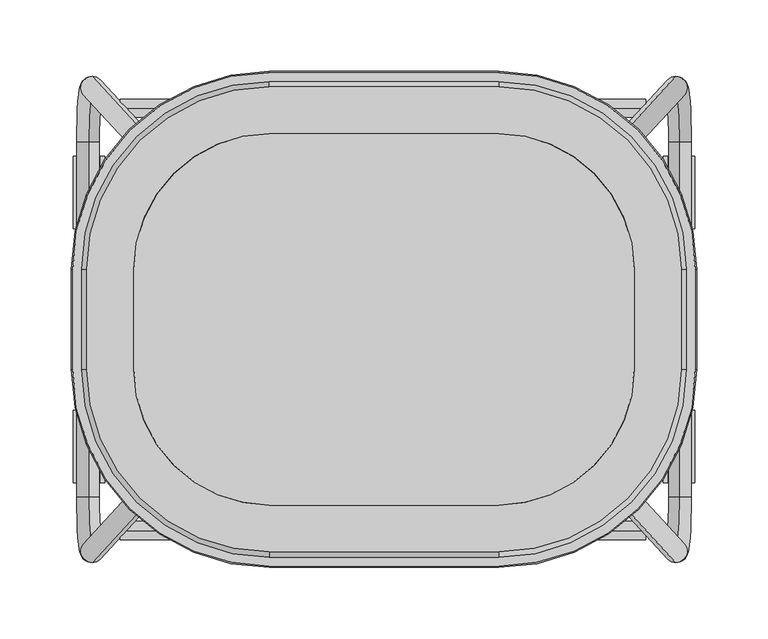
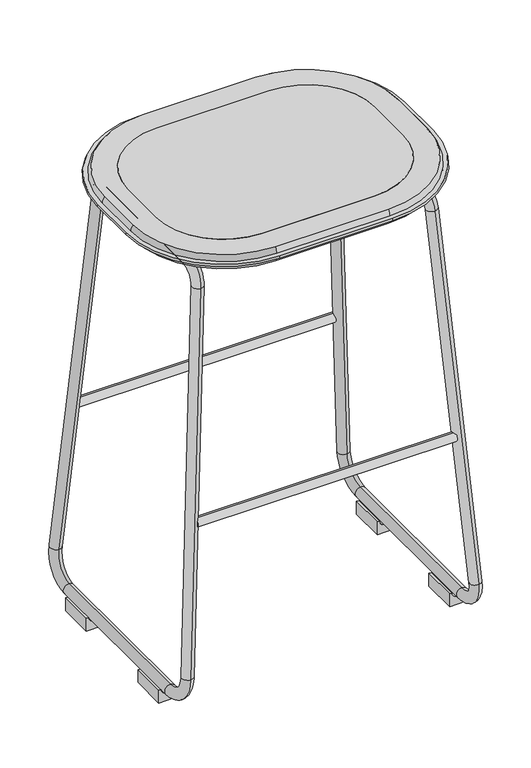
"""IFC4 building model written with IfcOpenShell, lengths in millimetres: furniture geometry."""

from ifc_helpers import new_model, si_unit, point, frame, frame_2d, origin, place, context, project, spatial, polyline, circle_curve, ellipse_curve, trimmed, segment, composite_curve, outline, extrude, source, transform, mapped, element, save
from ifc_brep_helpers import plane_surface, cylinder_surface, revolved_surface, advanced_brep


def furniture_1db9fe36(model_context):
    return source(origin(), model_context, "Body", "SolidModel", [
        extrude(outline(composite_curve([segment(polyline([(19.05, 195.2625), (0.0, 195.2625), (0.0, 217.4875), (19.05, 217.4875), (19.05, 214.3125)]), True, "CONTINUOUS"), segment(trimmed(circle_curve(frame_2d((19.05, 206.375)), 7.9375), [point((19.05, 214.3125))], [point((19.05, 198.4375))], True, "CARTESIAN"), True, "CONTINUOUS"), segment(polyline([(19.05, 198.4375), (19.05, 195.2625)]), True, "CONTINUOUS")], self_intersect=False)), frame((0.0, -114.3, 0.0), z_axis=(0.0, 1.0, 0.0), x_axis=(0.0, 0.0, 1.0)), (0.0, 0.0, 1.0), 50.8),
        extrude(outline(composite_curve([segment(polyline([(19.05, 195.2625), (0.0, 195.2625), (0.0, 217.4875), (19.05, 217.4875), (19.05, 214.3125)]), True, "CONTINUOUS"), segment(trimmed(circle_curve(frame_2d((19.05, 206.375)), 7.9375), [point((19.05, 214.3125))], [point((19.05, 198.4375))], True, "CARTESIAN"), True, "CONTINUOUS"), segment(polyline([(19.05, 198.4375), (19.05, 195.2625)]), True, "CONTINUOUS")], self_intersect=False)), frame((0.0, 63.5, 0.0), z_axis=(0.0, 1.0, 0.0), x_axis=(0.0, 0.0, 1.0)), (0.0, 0.0, 1.0), 50.8),
        advanced_brep(
        [(-175.021491, -34.925, 664.8993229), (-80.1154768, -129.8310142, 664.8993229), (80.1154768, -129.8310142, 664.8993229), (175.021491, -34.925, 664.8993229), (175.021491, 34.925, 664.8993229), (80.1154768, 129.8310142, 664.8993229), (-80.1154768, 129.8310142, 664.8993229), (-175.021491, 34.925, 664.8993229), (-178.5135382, -34.925, 641.3750418), (-178.5135382, 34.925, 641.3750418), (-80.1154768, 133.3230614, 641.3750418), (80.1154768, 133.3230614, 641.3750418), (178.5135382, 34.925, 641.3750418), (178.5135382, -34.925, 641.3750418), (80.1154768, -133.3230614, 641.3750418), (-80.1154768, -133.3230614, 641.3750418)],
        [
            (0, 1, circle_curve(frame((-80.1154768, -34.925, 664.8993229), z_axis=(0.0, 0.0, 1.0), x_axis=(-1.0000000000000002, 0.0, 0.0)), 94.9060142)),
            (1, 2),
            (2, 3, circle_curve(frame((80.1154768, -34.925, 664.8993229), z_axis=(0.0, 0.0, 1.0), x_axis=(0.0, -1.0000000000000002, 0.0)), 94.9060142)),
            (3, 4),
            (4, 5, circle_curve(frame((80.1154768, 34.925, 664.8993229), z_axis=(0.0, 0.0, 1.0), x_axis=(1.0000000000000002, 0.0, 0.0)), 94.9060142)),
            (5, 6),
            (6, 7, circle_curve(frame((-80.1154768, 34.925, 664.8993229), z_axis=(0.0, 0.0, 1.0), x_axis=(0.0, 1.0000000000000002, 0.0)), 94.9060142)),
            (7, 0),
            (8, 9),
            (9, 10, circle_curve(frame((-80.1154768, 34.925, 641.3750418), z_axis=(0.0, 0.0, -1.0), x_axis=(0.0, 1.0000000000000002, 0.0)), 98.3980614)),
            (10, 11),
            (11, 12, circle_curve(frame((80.1154768, 34.925, 641.3750418), z_axis=(0.0, 0.0, -1.0), x_axis=(1.0000000000000002, 0.0, 0.0)), 98.3980614)),
            (12, 13),
            (13, 14, circle_curve(frame((80.1154768, -34.925, 641.3750418), z_axis=(0.0, 0.0, -1.0), x_axis=(0.0, -1.0000000000000002, 0.0)), 98.3980614)),
            (14, 15),
            (15, 8, circle_curve(frame((-80.1154768, -34.925, 641.3750418), z_axis=(0.0, 0.0, -1.0), x_axis=(-1.0000000000000002, 0.0, 0.0)), 98.3980614)),
            (15, 1),
            (0, 8),
            (14, 2),
            (13, 3),
            (12, 4),
            (11, 5),
            (10, 6),
            (9, 7),
        ],
        [
            plane_surface(frame((0.0, 0.0, 664.8993229), z_axis=(0.0, 0.0, 1.0), x_axis=(0.0, 1.0, 0.0))),
            plane_surface(frame((0.0, 0.0, 641.3750418), z_axis=(0.0, 0.0, -1.0), x_axis=(0.0, 1.0, 0.0))),
            revolved_surface(polyline([(-175.0214909970936, -34.925, 664.8993229), (-178.5135382, -34.925, 641.3750418)]), (-80.1154768, -34.925, 1304.2365444), (0.0, 0.0, -1.0)),
            plane_surface(frame((0.0, -133.3230614, 641.3750418), z_axis=(0.0, -0.9891609433288521, 0.14683537786506212), x_axis=(1.0, 0.0, 0.0))),
            revolved_surface(polyline([(80.1154768, -129.8310141970936, 664.8993229), (80.1154768, -133.3230614, 641.3750418)]), (80.1154768, -34.925, 1304.2365444), (0.0, 0.0, -1.0)),
            plane_surface(frame((178.5135382, 0.0, 641.3750418), z_axis=(0.9891609433288486, 0.0, 0.14683537786508508), x_axis=(0.0, 1.0, 0.0))),
            revolved_surface(polyline([(175.0214909970936, 34.925, 664.8993229), (178.5135382, 34.925, 641.3750418)]), (80.1154768, 34.925, 1304.2365444), (0.0, 0.0, -1.0)),
            plane_surface(frame((0.0, 133.3230614, 641.3750418), z_axis=(0.0, 0.989160943328852, 0.1468353778650628), x_axis=(-1.0, 0.0, 0.0))),
            revolved_surface(polyline([(-80.1154768, 129.8310141970936, 664.8993229), (-80.1154768, 133.3230614, 641.3750418)]), (-80.1154768, 34.925, 1304.2365444), (0.0, 0.0, -1.0)),
            plane_surface(frame((-178.5135382, 0.0, 641.3750418), z_axis=(-0.9891609433288486, 0.0, 0.14683537786508508), x_axis=(0.0, -1.0, 0.0))),
        ],
        [
            (0, [[1, 2, 3, 4, 5, 6, 7, 8]]),
            (1, [[9, 10, 11, 12, 13, 14, 15, 16]]),
            (2, [[-16, 17, -1, 18]]),
            (3, [[-15, 19, -2, -17]]),
            (4, [[-14, 20, -3, -19]]),
            (5, [[-13, 21, -4, -20]]),
            (6, [[-12, 22, -5, -21]]),
            (7, [[-11, 23, -6, -22]]),
            (8, [[-10, 24, -7, -23]]),
            (9, [[-9, -18, -8, -24]]),
        ],
    ),
        advanced_brep(
        [(80.1154768, 129.8310142, 664.8993229), (-80.1154768, 129.8310142, 664.8993229), (-80.1154768, 133.3230614, 641.3750418), (80.1154768, 133.3230614, 641.3750418), (-80.1154768, -162.6409798, 664.8993229), (80.1154768, -162.6409798, 664.8993229), (207.8314566, -34.925, 664.8993229), (207.8314566, 34.925, 664.8993229), (80.1154768, 162.6409798, 664.8993229), (-80.1154768, 162.6409798, 664.8993229), (-207.8314566, 34.925, 664.8993229), (-207.8314566, -34.925, 664.8993229), (175.021491, 34.925, 664.8993229), (175.021491, -34.925, 664.8993229), (80.1154768, -129.8310142, 664.8993229), (-80.1154768, -129.8310142, 664.8993229), (-175.021491, -34.925, 664.8993229), (-175.021491, 34.925, 664.8993229), (80.1154768, 166.2791169, 657.0973126), (-80.1154768, 166.2791169, 657.0973126), (-80.1154768, -172.6291169, 657.0973126), (80.1154768, -172.6291169, 657.0973126), (217.8195937, -34.925, 657.0973126), (217.8195937, 34.925, 657.0973126), (80.1154768, 172.6291169, 657.0973126), (-80.1154768, 172.6291169, 657.0973126), (-217.8195937, 34.925, 657.0973126), (-217.8195937, -34.925, 657.0973126), (211.4695937, 34.925, 657.0973126), (211.4695937, -34.925, 657.0973126), (80.1154768, -166.2791169, 657.0973126), (-80.1154768, -166.2791169, 657.0973126), (-211.4695937, -34.925, 657.0973126), (-211.4695937, 34.925, 657.0973126), (80.1154768, 173.4175169, 654.1549637), (-80.1154768, 173.4175169, 654.1549637), (218.6079938, 34.925, 654.1549637), (218.6079938, -34.925, 654.1549637), (80.1154768, -173.4175169, 654.1549637), (-80.1154768, -173.4175169, 654.1549637), (-218.6079938, -34.925, 654.1549637), (-218.6079938, 34.925, 654.1549637), (-80.1154768, -167.0675169, 654.1549637), (80.1154768, -167.0675169, 654.1549637), (212.2579938, -34.925, 654.1549637), (212.2579938, 34.925, 654.1549637), (80.1154768, 167.0675169, 654.1549637), (-80.1154768, 167.0675169, 654.1549637), (-212.2579938, 34.925, 654.1549637), (-212.2579938, -34.925, 654.1549637), (80.1154768, 163.4840689, 644.3095211), (-80.1154768, 163.4840689, 644.3095211), (178.5135382, 34.925, 641.3750418), (208.6745457, 34.925, 644.3095211), (178.5135382, -34.925, 641.3750418), (208.6745457, -34.925, 644.3095211), (-178.5135382, 34.925, 641.3750418), (-208.6745457, 34.925, 644.3095211), (-178.5135382, -34.925, 641.3750418), (-208.6745457, -34.925, 644.3095211), (-80.1154768, -133.3230614, 641.3750418), (-80.1154768, -163.4840689, 644.3095211), (80.1154768, -133.3230614, 641.3750418), (80.1154768, -163.4840689, 644.3095211)],
        [
            (0, 1),
            (1, 2),
            (2, 3),
            (3, 0),
            (4, 5),
            (5, 6, circle_curve(frame((80.1154768, -34.925, 664.8993229), z_axis=(0.0, 0.0, 1.0), x_axis=(1.0000000000000002, 0.0, 0.0)), 127.7159798)),
            (6, 7),
            (7, 8, circle_curve(frame((80.1154768, 34.925, 664.8993229), z_axis=(0.0, 0.0, 1.0), x_axis=(1.0000000000000002, 0.0, 0.0)), 127.7159798)),
            (8, 9),
            (9, 10, circle_curve(frame((-80.1154768, 34.925, 664.8993229), z_axis=(0.0, 0.0, 1.0), x_axis=(-1.0000000000000002, 0.0, 0.0)), 127.7159798)),
            (10, 11),
            (11, 4, circle_curve(frame((-80.1154768, -34.925, 664.8993229), z_axis=(0.0, 0.0, 1.0), x_axis=(-1.0000000000000002, 0.0, 0.0)), 127.7159798)),
            (0, 12, circle_curve(frame((80.1154768, 34.925, 664.8993229), z_axis=(0.0, 0.0, -1.0), x_axis=(1.0000000000000002, 0.0, 0.0)), 94.9060142)),
            (12, 13),
            (13, 14, circle_curve(frame((80.1154768, -34.925, 664.8993229), z_axis=(0.0, 0.0, -1.0), x_axis=(1.0000000000000002, 0.0, 0.0)), 94.9060142)),
            (14, 15),
            (15, 16, circle_curve(frame((-80.1154768, -34.925, 664.8993229), z_axis=(0.0, 0.0, -1.0), x_axis=(-1.0000000000000002, 0.0, 0.0)), 94.9060142)),
            (16, 17),
            (17, 1, circle_curve(frame((-80.1154768, 34.925, 664.8993229), z_axis=(0.0, 0.0, -1.0), x_axis=(-1.0000000000000002, 0.0, 0.0)), 94.9060142)),
            (8, 18, circle_curve(frame((80.1154768, 153.8392427, 656.0457548), z_axis=(-1.0, 0.0, 0.0), x_axis=(0.0, 1.0000000000000002, 0.0)), 12.4842398)),
            (18, 19),
            (19, 9, circle_curve(frame((-80.1154768, 153.8392427, 656.0457548), z_axis=(1.0, 0.0, 0.0), x_axis=(0.0, 1.0000000000000002, 0.0)), 12.4842398)),
            (20, 21),
            (21, 22, circle_curve(frame((80.1154768, -34.925, 657.0973126), z_axis=(0.0, 0.0, 1.0), x_axis=(1.0000000000000002, 0.0, 0.0)), 137.7041169)),
            (22, 23),
            (23, 24, circle_curve(frame((80.1154768, 34.925, 657.0973126), z_axis=(0.0, 0.0, 1.0), x_axis=(1.0000000000000002, 0.0, 0.0)), 137.7041169)),
            (24, 25),
            (25, 26, circle_curve(frame((-80.1154768, 34.925, 657.0973126), z_axis=(0.0, 0.0, 1.0), x_axis=(-1.0000000000000002, 0.0, 0.0)), 137.7041169)),
            (26, 27),
            (27, 20, circle_curve(frame((-80.1154768, -34.925, 657.0973126), z_axis=(0.0, 0.0, 1.0), x_axis=(-1.0000000000000002, 0.0, 0.0)), 137.7041169)),
            (18, 28, circle_curve(frame((80.1154768, 34.925, 657.0973126), z_axis=(0.0, 0.0, -1.0), x_axis=(1.0000000000000002, 0.0, 0.0)), 131.3541169)),
            (28, 29),
            (29, 30, circle_curve(frame((80.1154768, -34.925, 657.0973126), z_axis=(0.0, 0.0, -1.0), x_axis=(1.0000000000000002, 0.0, 0.0)), 131.3541169)),
            (30, 31),
            (31, 32, circle_curve(frame((-80.1154768, -34.925, 657.0973126), z_axis=(0.0, 0.0, -1.0), x_axis=(-1.0000000000000002, 0.0, 0.0)), 131.3541169)),
            (32, 33),
            (33, 19, circle_curve(frame((-80.1154768, 34.925, 657.0973126), z_axis=(0.0, 0.0, -1.0), x_axis=(-1.0000000000000002, 0.0, 0.0)), 131.3541169)),
            (24, 34),
            (34, 35),
            (35, 25),
            (34, 36, circle_curve(frame((80.1154768, 34.925, 654.1549637), z_axis=(0.0, 0.0, -1.0), x_axis=(1.0000000000000002, 0.0, 0.0)), 138.4925169)),
            (36, 37),
            (37, 38, circle_curve(frame((80.1154768, -34.925, 654.1549637), z_axis=(0.0, 0.0, -1.0), x_axis=(1.0000000000000002, 0.0, 0.0)), 138.4925169)),
            (38, 39),
            (39, 40, circle_curve(frame((-80.1154768, -34.925, 654.1549637), z_axis=(0.0, 0.0, -1.0), x_axis=(-1.0000000000000002, 0.0, 0.0)), 138.4925169)),
            (40, 41),
            (41, 35, circle_curve(frame((-80.1154768, 34.925, 654.1549637), z_axis=(0.0, 0.0, -1.0), x_axis=(-1.0000000000000002, 0.0, 0.0)), 138.4925169)),
            (42, 43),
            (43, 44, circle_curve(frame((80.1154768, -34.925, 654.1549637), z_axis=(0.0, 0.0, 1.0), x_axis=(1.0000000000000002, 0.0, 0.0)), 132.1425169)),
            (44, 45),
            (45, 46, circle_curve(frame((80.1154768, 34.925, 654.1549637), z_axis=(0.0, 0.0, 1.0), x_axis=(1.0000000000000002, 0.0, 0.0)), 132.1425169)),
            (46, 47),
            (47, 48, circle_curve(frame((-80.1154768, 34.925, 654.1549637), z_axis=(0.0, 0.0, 1.0), x_axis=(-1.0000000000000002, 0.0, 0.0)), 132.1425169)),
            (48, 49),
            (49, 42, circle_curve(frame((-80.1154768, -34.925, 654.1549637), z_axis=(0.0, 0.0, 1.0), x_axis=(-1.0000000000000002, 0.0, 0.0)), 132.1425169)),
            (46, 50, circle_curve(frame((80.1154768, 148.476041, 655.346852), z_axis=(-1.0, 0.0, 0.0), x_axis=(0.0, 1.0000000000000002, 0.0)), 18.6296423)),
            (50, 51),
            (51, 47, circle_curve(frame((-80.1154768, 148.476041, 655.346852), z_axis=(1.0, 0.0, 0.0), x_axis=(0.0, 1.0000000000000002, 0.0)), 18.6296423)),
            (2, 51),
            (50, 3),
            (3, 52, circle_curve(frame((80.1154768, 34.925, 641.3750418), z_axis=(0.0, 0.0, -1.0), x_axis=(1.0000000000000002, 0.0, 0.0)), 98.3980614)),
            (52, 12),
            (50, 53, circle_curve(frame((80.1154768, 34.925, 644.3095211), z_axis=(0.0, 0.0, -1.0), x_axis=(1.0000000000000002, 0.0, 0.0)), 128.5590689)),
            (53, 52),
            (45, 53, circle_curve(frame((193.6665179, 34.925, 655.346852), z_axis=(0.0, 1.0000000000000002, 0.0), x_axis=(0.0, 0.0, 1.0)), 18.6296423)),
            (23, 36),
            (7, 28, circle_curve(frame((199.0297195, 34.925, 656.0457548), z_axis=(0.0, 1.0000000000000002, 0.0), x_axis=(0.0, 0.0, 1.0)), 12.4842398)),
            (52, 54),
            (54, 13),
            (53, 55),
            (55, 54),
            (44, 55, circle_curve(frame((193.6665179, -34.925, 655.346852), z_axis=(0.0, 1.0, 0.0), x_axis=(0.0, 0.0, 1.0)), 18.6296423)),
            (22, 37),
            (6, 29, circle_curve(frame((199.0297195, -34.925, 656.0457548), z_axis=(0.0, 1.0, 0.0), x_axis=(0.0, 0.0, 1.0)), 12.4842398)),
            (17, 56),
            (56, 2, circle_curve(frame((-80.1154768, 34.925, 641.3750418), z_axis=(0.0, 0.0, -1.0), x_axis=(-1.0000000000000002, 0.0, 0.0)), 98.3980614)),
            (56, 57),
            (57, 51, circle_curve(frame((-80.1154768, 34.925, 644.3095211), z_axis=(0.0, 0.0, -1.0), x_axis=(-1.0000000000000002, 0.0, 0.0)), 128.5590689)),
            (57, 48, circle_curve(frame((-193.6665179, 34.925, 655.346852), z_axis=(0.0, 1.0000000000000002, 0.0), x_axis=(0.0, 0.0, 1.0)), 18.6296423)),
            (41, 26),
            (33, 10, circle_curve(frame((-199.0297195, 34.925, 656.0457548), z_axis=(0.0, 1.0000000000000002, 0.0), x_axis=(0.0, 0.0, 1.0)), 12.4842398)),
            (58, 56),
            (16, 58),
            (58, 59),
            (59, 57),
            (59, 49, circle_curve(frame((-193.6665179, -34.925, 655.346852), z_axis=(0.0, 1.0, 0.0), x_axis=(0.0, 0.0, 1.0)), 18.6296423)),
            (40, 27),
            (32, 11, circle_curve(frame((-199.0297195, -34.925, 656.0457548), z_axis=(0.0, 1.0, 0.0), x_axis=(0.0, 0.0, 1.0)), 12.4842398)),
            (60, 58, circle_curve(frame((-80.1154768, -34.925, 641.3750418), z_axis=(0.0, 0.0, -1.0), x_axis=(-1.0000000000000002, 0.0, 0.0)), 98.3980614)),
            (15, 60),
            (60, 61),
            (61, 59, circle_curve(frame((-80.1154768, -34.925, 644.3095211), z_axis=(0.0, 0.0, -1.0), x_axis=(-1.0000000000000002, 0.0, 0.0)), 128.5590689)),
            (61, 42, circle_curve(frame((-80.1154768, -148.476041, 655.346852), z_axis=(-1.0000000000000002, 0.0, 0.0), x_axis=(0.0, 0.0, 1.0)), 18.6296423)),
            (39, 20),
            (31, 4, circle_curve(frame((-80.1154768, -153.8392427, 656.0457548), z_axis=(-1.0000000000000002, 0.0, 0.0), x_axis=(0.0, 0.0, 1.0)), 12.4842398)),
            (62, 60),
            (14, 62),
            (30, 5, circle_curve(frame((80.1154768, -153.8392427, 656.0457548), z_axis=(-1.0, 0.0, 0.0), x_axis=(0.0, -1.0000000000000002, 0.0)), 12.4842398)),
            (38, 21),
            (61, 63),
            (63, 43, circle_curve(frame((80.1154768, -148.476041, 655.346852), z_axis=(-1.0, 0.0, 0.0), x_axis=(0.0, -1.0000000000000002, 0.0)), 18.6296423)),
            (62, 63),
            (54, 62, circle_curve(frame((80.1154768, -34.925, 641.3750418), z_axis=(0.0, 0.0, -1.0), x_axis=(1.0000000000000002, 0.0, 0.0)), 98.3980614)),
            (55, 63, circle_curve(frame((80.1154768, -34.925, 644.3095211), z_axis=(0.0, 0.0, -1.0), x_axis=(1.0000000000000002, 0.0, 0.0)), 128.5590689)),
        ],
        [
            plane_surface(frame((80.1154768, 129.8310142, 664.8993229), z_axis=(0.0, -0.9891609433288518, -0.14683537786506368), x_axis=(-1.0, 0.0, 0.0))),
            plane_surface(frame((80.1154768, 162.6409798, 664.8993229), z_axis=(0.0, 0.0, 1.0), x_axis=(-1.0, 0.0, 0.0))),
            cylinder_surface(frame((-80.1154768, 153.8392427, 656.0457548), z_axis=(1.0000000000000002, 0.0, 0.0), x_axis=(0.0, 1.0000000000000002, 0.0)), 12.4842398),
            plane_surface(frame((80.1154768, 172.6291169, 657.0973126), z_axis=(0.0, 0.0, 1.0), x_axis=(-1.0, 0.0, 0.0))),
            plane_surface(frame((80.1154768, 173.4175169, 654.1549637), z_axis=(0.0, 0.9659258262890752, 0.2588190451024952), x_axis=(-1.0, 0.0, 0.0))),
            plane_surface(frame((80.1154768, 167.0675169, 654.1549637), z_axis=(0.0, 0.0, -1.0), x_axis=(-1.0, 0.0, 0.0))),
            cylinder_surface(frame((-80.1154768, 148.476041, 655.346852), z_axis=(1.0000000000000002, 0.0, 0.0), x_axis=(0.0, 1.0000000000000002, 0.0)), 18.6296423),
            plane_surface(frame((80.1154768, 133.3230614, 641.3750418), z_axis=(0.0, 0.09683655773188508, -0.9953002969388883), x_axis=(-1.0, 0.0, 0.0))),
            revolved_surface(polyline([(175.021491, 34.925, 664.8993229), (178.5135382, 34.925, 641.3750418)]), (80.1154768, 34.925, 777.3574778), (0.0, 0.0, 1.0)),
            revolved_surface(polyline([(178.5135382, 34.925, 641.3750418), (208.6745457, 34.925, 644.3095211)]), (80.1154768, 34.925, 777.3574778), (0.0, 0.0, 1.0)),
            revolved_surface(trimmed(ellipse_curve(frame((193.6665179, 34.925, 655.346852), z_axis=(0.0, -1.0000000000000002, 0.0), x_axis=(0.0, 0.0, 1.0)), 18.6296423, 18.6296423), [point((208.6745457, 34.925, 644.3095211))], [point((212.2579938, 34.925, 654.1549637))], True, "CARTESIAN"), (80.1154768, 34.925, 777.3574778), (0.0, 0.0, 1.0)),
            revolved_surface(polyline([(218.6079938, 34.925, 654.1549637), (217.8195937, 34.925, 657.0973126)]), (80.1154768, 34.925, 777.3574778), (0.0, 0.0, 1.0)),
            revolved_surface(trimmed(ellipse_curve(frame((199.0297195, 34.925, 656.0457548), z_axis=(0.0, -1.0000000000000002, 0.0), x_axis=(0.0, 0.0, 1.0)), 12.4842398, 12.4842398), [point((211.4695937, 34.925, 657.0973126))], [point((207.8314566, 34.925, 664.8993229))], True, "CARTESIAN"), (80.1154768, 34.925, 777.3574778), (0.0, 0.0, 1.0)),
            plane_surface(frame((175.021491, -34.925, 664.8993229), z_axis=(-0.9891609433288492, 0.0, -0.14683537786508166), x_axis=(0.0, 1.0, 0.0))),
            plane_surface(frame((178.5135382, -34.925, 641.3750418), z_axis=(0.09683655773190229, 0.0, -0.9953002969388867), x_axis=(0.0, 1.0, 0.0))),
            cylinder_surface(frame((193.6665179, 34.925, 655.346852), z_axis=(0.0, -1.0000000000000002, 0.0), x_axis=(0.0, 0.0, 1.0)), 18.6296423),
            plane_surface(frame((218.6079938, -34.925, 654.1549637), z_axis=(0.9659258262890694, 0.0, 0.2588190451025166), x_axis=(0.0, 1.0, 0.0))),
            cylinder_surface(frame((199.0297195, 34.925, 656.0457548), z_axis=(0.0, -1.0000000000000002, 0.0), x_axis=(0.0, 0.0, 1.0)), 12.4842398),
            revolved_surface(polyline([(-178.5135382, 34.925, 641.3750418), (-175.021491, 34.925, 664.8993229)]), (-80.1154768, 34.925, 777.3574778), (0.0, 0.0, -1.0)),
            revolved_surface(polyline([(-208.6745457, 34.925, 644.3095211), (-178.5135382, 34.925, 641.3750418)]), (-80.1154768, 34.925, 777.3574778), (0.0, 0.0, -1.0)),
            revolved_surface(trimmed(ellipse_curve(frame((-193.6665179, 34.925, 655.346852), z_axis=(0.0, -1.0000000000000002, 0.0), x_axis=(0.0, 0.0, 1.0)), 18.6296423, 18.6296423), [point((-212.2579938, 34.925, 654.1549637))], [point((-208.6745457, 34.925, 644.3095211))], True, "CARTESIAN"), (-80.1154768, 34.925, 777.3574778), (0.0, 0.0, -1.0)),
            revolved_surface(polyline([(-217.8195937, 34.925, 657.0973126), (-218.6079938, 34.925, 654.1549637)]), (-80.1154768, 34.925, 777.3574778), (0.0, 0.0, -1.0)),
            revolved_surface(trimmed(ellipse_curve(frame((-199.0297195, 34.925, 656.0457548), z_axis=(0.0, -1.0000000000000002, 0.0), x_axis=(0.0, 0.0, 1.0)), 12.4842398, 12.4842398), [point((-207.8314566, 34.925, 664.8993229))], [point((-211.4695937, 34.925, 657.0973126))], True, "CARTESIAN"), (-80.1154768, 34.925, 777.3574778), (0.0, 0.0, -1.0)),
            plane_surface(frame((-178.5135382, -34.925, 641.3750418), z_axis=(0.9891609433288492, 0.0, -0.14683537786508166), x_axis=(0.0, 1.0, 0.0))),
            plane_surface(frame((-208.6745457, -34.925, 644.3095211), z_axis=(-0.09683655773190229, 0.0, -0.9953002969388867), x_axis=(0.0, 1.0, 0.0))),
            cylinder_surface(frame((-193.6665179, 34.925, 655.346852), z_axis=(0.0, -1.0000000000000002, 0.0), x_axis=(0.0, 0.0, 1.0)), 18.6296423),
            plane_surface(frame((-217.8195937, -34.925, 657.0973126), z_axis=(-0.9659258262890694, 0.0, 0.2588190451025166), x_axis=(0.0, 1.0, 0.0))),
            cylinder_surface(frame((-199.0297195, 34.925, 656.0457548), z_axis=(0.0, -1.0000000000000002, 0.0), x_axis=(0.0, 0.0, 1.0)), 12.4842398),
            revolved_surface(polyline([(-175.021491, -34.925, 664.8993229), (-178.5135382, -34.925, 641.3750418)]), (-80.1154768, -34.925, 777.3574778), (0.0, 0.0, 1.0)),
            revolved_surface(polyline([(-178.5135382, -34.925, 641.3750418), (-208.6745457, -34.925, 644.3095211)]), (-80.1154768, -34.925, 777.3574778), (0.0, 0.0, 1.0)),
            revolved_surface(trimmed(ellipse_curve(frame((-193.6665179, -34.925, 655.346852), z_axis=(0.0, 1.0000000000000002, 0.0), x_axis=(0.0, 0.0, 1.0)), 18.6296423, 18.6296423), [point((-208.6745457, -34.925, 644.3095211))], [point((-212.2579938, -34.925, 654.1549637))], True, "CARTESIAN"), (-80.1154768, -34.925, 777.3574778), (0.0, 0.0, 1.0)),
            revolved_surface(polyline([(-218.6079938, -34.925, 654.1549637), (-217.8195937, -34.925, 657.0973126)]), (-80.1154768, -34.925, 777.3574778), (0.0, 0.0, 1.0)),
            revolved_surface(trimmed(ellipse_curve(frame((-199.0297195, -34.925, 656.0457548), z_axis=(0.0, 1.0000000000000002, 0.0), x_axis=(0.0, 0.0, 1.0)), 12.4842398, 12.4842398), [point((-211.4695937, -34.925, 657.0973126))], [point((-207.8314566, -34.925, 664.8993229))], True, "CARTESIAN"), (-80.1154768, -34.925, 777.3574778), (0.0, 0.0, 1.0)),
            plane_surface(frame((80.1154768, -133.3230614, 641.3750418), z_axis=(0.0, 0.9891609433288518, -0.14683537786506368), x_axis=(-1.0, 0.0, 0.0))),
            cylinder_surface(frame((-80.1154768, -153.8392427, 656.0457548), z_axis=(1.0000000000000002, 0.0, 0.0), x_axis=(0.0, -1.0000000000000002, 0.0)), 12.4842398),
            plane_surface(frame((80.1154768, -172.6291169, 657.0973126), z_axis=(0.0, -0.9659258262890752, 0.2588190451024952), x_axis=(-1.0, 0.0, 0.0))),
            cylinder_surface(frame((-80.1154768, -148.476041, 655.346852), z_axis=(1.0000000000000002, 0.0, 0.0), x_axis=(0.0, -1.0000000000000002, 0.0)), 18.6296423),
            plane_surface(frame((80.1154768, -163.4840689, 644.3095211), z_axis=(0.0, -0.09683655773188508, -0.9953002969388883), x_axis=(-1.0, 0.0, 0.0))),
            revolved_surface(polyline([(178.5135382, -34.925, 641.3750418), (175.021491, -34.925, 664.8993229)]), (80.1154768, -34.925, 777.3574778), (0.0, 0.0, -1.0)),
            revolved_surface(polyline([(208.6745457, -34.925, 644.3095211), (178.5135382, -34.925, 641.3750418)]), (80.1154768, -34.925, 777.3574778), (0.0, 0.0, -1.0)),
            revolved_surface(trimmed(ellipse_curve(frame((193.6665179, -34.925, 655.346852), z_axis=(0.0, 1.0000000000000002, 0.0), x_axis=(0.0, 0.0, 1.0)), 18.6296423, 18.6296423), [point((212.2579938, -34.925, 654.1549637))], [point((208.6745457, -34.925, 644.3095211))], True, "CARTESIAN"), (80.1154768, -34.925, 777.3574778), (0.0, 0.0, -1.0)),
            revolved_surface(polyline([(217.8195937, -34.925, 657.0973126), (218.6079938, -34.925, 654.1549637)]), (80.1154768, -34.925, 777.3574778), (0.0, 0.0, -1.0)),
            revolved_surface(trimmed(ellipse_curve(frame((199.0297195, -34.925, 656.0457548), z_axis=(0.0, 1.0000000000000002, 0.0), x_axis=(0.0, 0.0, 1.0)), 12.4842398, 12.4842398), [point((207.8314566, -34.925, 664.8993229))], [point((211.4695937, -34.925, 657.0973126))], True, "CARTESIAN"), (80.1154768, -34.925, 777.3574778), (0.0, 0.0, -1.0)),
        ],
        [
            (0, [[1, 2, 3, 4]]),
            (1, [[5, 6, 7, 8, 9, 10, 11, 12], [-1, 13, 14, 15, 16, 17, 18, 19]]),
            (2, [[-9, 20, 21, 22]]),
            (3, [[23, 24, 25, 26, 27, 28, 29, 30], [-21, 31, 32, 33, 34, 35, 36, 37]]),
            (4, [[-27, 38, 39, 40]]),
            (5, [[-39, 41, 42, 43, 44, 45, 46, 47], [48, 49, 50, 51, 52, 53, 54, 55]]),
            (6, [[-52, 56, 57, 58]]),
            (7, [[-3, 59, -57, 60]]),
            (8, [[61, 62, -13, -4]]),
            (9, [[-61, -60, 63, 64]]),
            (10, [[-63, -56, -51, 65]]),
            (11, [[-41, -38, -26, 66]]),
            (12, [[-31, -20, -8, 67]]),
            (13, [[-14, -62, 68, 69]]),
            (14, [[-68, -64, 70, 71]]),
            (15, [[-70, -65, -50, 72]]),
            (16, [[-42, -66, -25, 73]]),
            (17, [[-32, -67, -7, 74]]),
            (18, [[-19, 75, 76, -2]]),
            (19, [[-76, 77, 78, -59]]),
            (20, [[-78, 79, -53, -58]]),
            (21, [[-47, 80, -28, -40]]),
            (22, [[-37, 81, -10, -22]]),
            (23, [[82, -75, -18, 83]]),
            (24, [[-82, 84, 85, -77]]),
            (25, [[-85, 86, -54, -79]]),
            (26, [[-46, 87, -29, -80]]),
            (27, [[-36, 88, -11, -81]]),
            (28, [[89, -83, -17, 90]]),
            (29, [[-89, 91, 92, -84]]),
            (30, [[-92, 93, -55, -86]]),
            (31, [[-45, 94, -30, -87]]),
            (32, [[-35, 95, -12, -88]]),
            (33, [[96, -90, -16, 97]]),
            (34, [[-5, -95, -34, 98]]),
            (35, [[-23, -94, -44, 99]]),
            (36, [[-48, -93, 100, 101]]),
            (37, [[-96, 102, -100, -91]]),
            (38, [[-15, -69, 103, -97]]),
            (39, [[-103, -71, 104, -102]]),
            (40, [[-104, -72, -49, -101]]),
            (41, [[-43, -73, -24, -99]]),
            (42, [[-33, -74, -6, -98]]),
        ],
    ),
        extrude(outline(composite_curve([segment(polyline([(19.05, -195.2625), (19.05, -198.4375)]), True, "CONTINUOUS"), segment(trimmed(circle_curve(frame_2d((19.05, -206.375)), 7.9375), [point((19.05, -198.4375))], [point((19.05, -214.3125))], True, "CARTESIAN"), True, "CONTINUOUS"), segment(polyline([(19.05, -214.3125), (19.05, -217.4875), (0.0, -217.4875), (0.0, -195.2625), (19.05, -195.2625)]), True, "CONTINUOUS")], self_intersect=False)), frame((0.0, -114.3, 0.0), z_axis=(0.0, 1.0, 0.0), x_axis=(0.0, 0.0, 1.0)), (0.0, 0.0, 1.0), 50.8),
        extrude(outline(composite_curve([segment(polyline([(19.05, -195.2625), (19.05, -198.4375)]), True, "CONTINUOUS"), segment(trimmed(circle_curve(frame_2d((19.05, -206.375)), 7.9375), [point((19.05, -198.4375))], [point((19.05, -214.3125))], True, "CARTESIAN"), True, "CONTINUOUS"), segment(polyline([(19.05, -214.3125), (19.05, -217.4875), (0.0, -217.4875), (0.0, -195.2625), (19.05, -195.2625)]), True, "CONTINUOUS")], self_intersect=False)), frame((0.0, 63.5, 0.0), z_axis=(0.0, 1.0, 0.0), x_axis=(0.0, 0.0, 1.0)), (0.0, 0.0, 1.0), 50.8),
        advanced_brep(
        [(166.1168797, 112.7150119, 609.9791174), (166.0338122, 128.544846, 611.1728837), (204.1110161, 170.0110336, 63.9636805), (204.1940836, 154.1811996, 62.7699142), (206.4456872, 124.1045148, 30.4120174), (207.5476743, 124.1045148, 14.5753116), (207.5476743, -124.1045148, 14.5753116), (206.4456872, -124.1045148, 30.4120174), (204.1940836, -154.1811996, 62.7699142), (204.1110161, -170.0110336, 63.9636805), (166.0338122, -128.544846, 611.1728837), (166.1168797, -112.7150119, 609.9791174), (164.9960681, -95.3021944, 626.0863508), (163.894081, -95.3021944, 641.9230566), (163.894081, 95.3021944, 641.9230566), (164.9960681, 95.3021944, 626.0863508)],
        [
            (0, 1, circle_curve(frame((166.075346, 120.6299289, 610.5760005), z_axis=(0.06921901246444374, 0.07537970936480681, -0.9947495301479286), x_axis=(-0.005232596289138969, 0.9971549024179129, 0.0751978757678542)), 7.9375)),
            (1, 2),
            (2, 3, circle_curve(frame((204.1525498, 162.0961166, 63.3667974), z_axis=(-0.06921901246444374, -0.07537970936480681, 0.9947495301479286), x_axis=(-0.005232596289138969, 0.9971549024179129, 0.0751978757678542)), 7.9375)),
            (3, 0),
            (1, 0, circle_curve(frame((166.075346, 120.6299289, 610.5760005), z_axis=(0.06921901246444374, 0.07537970936480681, -0.9947495301479286), x_axis=(-0.005232596289138969, 0.9971549024179129, 0.0751978757678542)), 7.9375)),
            (3, 2, circle_curve(frame((204.1525498, 162.0961166, 63.3667974), z_axis=(-0.06921901246444374, -0.07537970936480681, 0.9947495301479286), x_axis=(-0.005232596289138969, 0.9971549024179129, 0.0751978757678542)), 7.9375)),
            (4, 5, circle_curve(frame((206.9966808, 124.1045148, 22.4936645), z_axis=(0.0, -1.0, 0.0), x_axis=(0.06941650920694531, 0.0, -0.9975877646851541)), 7.9375)),
            (5, 6),
            (6, 7, circle_curve(frame((206.9966808, -124.1045148, 22.4936645), z_axis=(0.0, 1.0, 0.0), x_axis=(0.06941650920694531, 0.0, -0.9975877646851541)), 7.9375)),
            (7, 4),
            (5, 4, circle_curve(frame((206.9966808, 124.1045148, 22.4936645), z_axis=(0.0, -1.0, 0.0), x_axis=(0.06941650920694531, 0.0, -0.9975877646851541)), 7.9375)),
            (7, 6, circle_curve(frame((206.9966808, -124.1045148, 22.4936645), z_axis=(0.0, 1.0, 0.0), x_axis=(0.06941650920694531, 0.0, -0.9975877646851541)), 7.9375)),
            (8, 9, circle_curve(frame((204.1525498, -162.0961166, 63.3667974), z_axis=(-0.06921901246444448, 0.0753797093646393, 0.9947495301479411), x_axis=(-0.005232596289127311, -0.9971549024179256, 0.07519787576768708)), 7.9375)),
            (9, 10),
            (10, 11, circle_curve(frame((166.075346, -120.6299289, 610.5760005), z_axis=(0.06921901246444448, -0.0753797093646393, -0.9947495301479411), x_axis=(-0.005232596289127311, -0.9971549024179256, 0.07519787576768708)), 7.9375)),
            (11, 8),
            (9, 8, circle_curve(frame((204.1525498, -162.0961166, 63.3667974), z_axis=(-0.06921901246444448, 0.0753797093646393, 0.9947495301479411), x_axis=(-0.005232596289127311, -0.9971549024179256, 0.07519787576768708)), 7.9375)),
            (11, 10, circle_curve(frame((166.075346, -120.6299289, 610.5760005), z_axis=(0.06921901246444448, -0.0753797093646393, -0.9947495301479411), x_axis=(-0.005232596289127311, -0.9971549024179256, 0.07519787576768708)), 7.9375)),
            (12, 13, circle_curve(frame((164.4450746, -95.3021944, 634.0047037), z_axis=(0.0, 1.0, 0.0), x_axis=(-0.06941650920694527, 0.0, 0.997587764685154)), 7.9375)),
            (13, 14),
            (14, 15, circle_curve(frame((164.4450746, 95.3021944, 634.0047037), z_axis=(0.0, -1.0, 0.0), x_axis=(-0.06941650920694527, 0.0, 0.997587764685154)), 7.9375)),
            (15, 12),
            (13, 12, circle_curve(frame((164.4450746, -95.3021944, 634.0047037), z_axis=(0.0, 1.0, 0.0), x_axis=(-0.06941650920694527, 0.0, 0.997587764685154)), 7.9375)),
            (15, 14, circle_curve(frame((164.4450746, 95.3021944, 634.0047037), z_axis=(0.0, -1.0, 0.0), x_axis=(-0.06941650920694527, 0.0, 0.997587764685154)), 7.9375)),
            (0, 15, circle_curve(frame((166.2082539, 95.3021944, 608.6659745), z_axis=(0.997587764685154, 0.0, 0.0694165092069453), x_axis=(-0.0694165092069453, 0.0, 0.997587764685154)), 17.4625)),
            (14, 1, circle_curve(frame((166.2082539, 95.3021944, 608.6659745), z_axis=(-0.997587764685154, 0.0, -0.0694165092069453), x_axis=(-0.0694165092069453, 0.0, 0.997587764685154)), 33.3375)),
            (12, 11, circle_curve(frame((166.2082539, -95.3021944, 608.6659745), z_axis=(0.997587764685154, 0.0, 0.0694165092069453), x_axis=(-0.0052325962891269055, -0.9971549024179259, 0.07519787576768078)), 17.4625)),
            (10, 13, circle_curve(frame((166.2082539, -95.3021944, 608.6659745), z_axis=(-0.997587764685154, 0.0, -0.0694165092069453), x_axis=(-0.0052325962891269055, -0.9971549024179259, 0.07519787576768078)), 33.3375)),
            (4, 3, circle_curve(frame((204.3519118, 124.1045148, 60.5017583), z_axis=(0.997587764685154, 0.0, 0.0694165092069453), x_axis=(-0.005232596289139052, 0.9971549024179127, 0.07519787576785533)), 30.1625)),
            (2, 5, circle_curve(frame((204.3519118, 124.1045148, 60.5017583), z_axis=(-0.997587764685154, 0.0, -0.0694165092069453), x_axis=(-0.005232596289139052, 0.9971549024179127, 0.07519787576785533)), 46.0375)),
            (8, 7, circle_curve(frame((204.3519118, -124.1045148, 60.5017583), z_axis=(0.997587764685154, 0.0, 0.0694165092069453), x_axis=(0.0694165092069453, 0.0, -0.997587764685154)), 30.1625)),
            (6, 9, circle_curve(frame((204.3519118, -124.1045148, 60.5017583), z_axis=(-0.997587764685154, 0.0, -0.0694165092069453), x_axis=(0.0694165092069453, 0.0, -0.997587764685154)), 46.0375)),
        ],
        [
            cylinder_surface(frame((166.075346, 120.6299289, 610.5760005), z_axis=(-0.06921901246444374, -0.07537970936480681, 0.9947495301479286), x_axis=(-0.005232596289138969, 0.9971549024179129, 0.0751978757678542)), 7.9375),
            cylinder_surface(frame((206.9966808, 124.1045148, 22.4936645), z_axis=(0.0, 1.0000000000000002, 0.0), x_axis=(0.06941650920694531, 0.0, -0.9975877646851541)), 7.9375),
            cylinder_surface(frame((204.1525498, -162.0961166, 63.3667974), z_axis=(0.0692190124644445, -0.07537970936463931, -0.9947495301479413), x_axis=(-0.005232596289127311, -0.9971549024179256, 0.07519787576768708)), 7.9375),
            cylinder_surface(frame((164.4450746, -95.3021944, 634.0047037), z_axis=(0.0, -1.0, 0.0), x_axis=(-0.06941650920694527, 0.0, 0.997587764685154)), 7.9375),
            revolved_surface(trimmed(ellipse_curve(frame((164.4450746, 95.3021944, 634.0047037), z_axis=(0.0, -1.0, 0.0), x_axis=(-0.06941650920694528, 0.0, 0.997587764685154)), 7.9375, 7.9375), [point((163.894081, 95.3021944, 641.9230566))], [point((164.9960681, 95.3021944, 626.0863508))], True, "CARTESIAN"), (166.2082539, 95.3021944, 608.6659745), (-0.997587764685154, 0.0, -0.0694165092069453)),
            revolved_surface(trimmed(ellipse_curve(frame((164.4450746, 95.3021944, 634.0047037), z_axis=(0.0, -1.0, 0.0), x_axis=(-0.06941650920694528, 0.0, 0.997587764685154)), 7.9375, 7.9375), [point((164.9960681, 95.3021944, 626.0863508))], [point((163.894081, 95.3021944, 641.9230566))], True, "CARTESIAN"), (166.2082539, 95.3021944, 608.6659745), (-0.997587764685154, 0.0, -0.0694165092069453)),
            revolved_surface(trimmed(ellipse_curve(frame((166.075346, -120.6299289, 610.5760005), z_axis=(0.06921901246444451, -0.07537970936463308, -0.9947495301479415), x_axis=(-0.00523259628912688, -0.9971549024179259, 0.07519787576768087)), 7.9375, 7.9375), [point((166.0338122, -128.544846, 611.1728837))], [point((166.1168797, -112.7150119, 609.9791174))], True, "CARTESIAN"), (166.2082539, -95.3021944, 608.6659745), (-0.997587764685154, 0.0, -0.0694165092069453)),
            revolved_surface(trimmed(ellipse_curve(frame((166.075346, -120.6299289, 610.5760005), z_axis=(0.06921901246444451, -0.07537970936463308, -0.9947495301479415), x_axis=(-0.00523259628912688, -0.9971549024179259, 0.07519787576768087)), 7.9375, 7.9375), [point((166.1168797, -112.7150119, 609.9791174))], [point((166.0338122, -128.544846, 611.1728837))], True, "CARTESIAN"), (166.2082539, -95.3021944, 608.6659745), (-0.997587764685154, 0.0, -0.0694165092069453)),
            revolved_surface(trimmed(ellipse_curve(frame((204.1525498, 162.0961166, 63.3667974), z_axis=(-0.0692190124644437, -0.07537970936480787, 0.9947495301479284), x_axis=(-0.00523259628913904, 0.9971549024179127, 0.07519787576785524)), 7.9375, 7.9375), [point((204.1110161, 170.0110336, 63.9636805))], [point((204.1940836, 154.1811996, 62.7699142))], True, "CARTESIAN"), (204.3519118, 124.1045148, 60.5017583), (-0.997587764685154, 0.0, -0.0694165092069453)),
            revolved_surface(trimmed(ellipse_curve(frame((204.1525498, 162.0961166, 63.3667974), z_axis=(-0.0692190124644437, -0.07537970936480787, 0.9947495301479284), x_axis=(-0.00523259628913904, 0.9971549024179127, 0.07519787576785524)), 7.9375, 7.9375), [point((204.1940836, 154.1811996, 62.7699142))], [point((204.1110161, 170.0110336, 63.9636805))], True, "CARTESIAN"), (204.3519118, 124.1045148, 60.5017583), (-0.997587764685154, 0.0, -0.0694165092069453)),
            revolved_surface(trimmed(ellipse_curve(frame((206.9966808, -124.1045148, 22.4936645), z_axis=(0.0, 1.0, 0.0), x_axis=(0.0694165092069453, 0.0, -0.997587764685154)), 7.9375, 7.9375), [point((207.5476743, -124.1045148, 14.5753116))], [point((206.4456872, -124.1045148, 30.4120174))], True, "CARTESIAN"), (204.3519118, -124.1045148, 60.5017583), (-0.997587764685154, 0.0, -0.0694165092069453)),
            revolved_surface(trimmed(ellipse_curve(frame((206.9966808, -124.1045148, 22.4936645), z_axis=(0.0, 1.0, 0.0), x_axis=(0.0694165092069453, 0.0, -0.997587764685154)), 7.9375, 7.9375), [point((206.4456872, -124.1045148, 30.4120174))], [point((207.5476743, -124.1045148, 14.5753116))], True, "CARTESIAN"), (204.3519118, -124.1045148, 60.5017583), (-0.997587764685154, 0.0, -0.0694165092069453)),
        ],
        [
            (0, [[1, 2, 3, 4]]),
            (0, [[5, -4, 6, -2]]),
            (1, [[7, 8, 9, 10]]),
            (1, [[11, -10, 12, -8]]),
            (2, [[13, 14, 15, 16]]),
            (2, [[17, -16, 18, -14]]),
            (3, [[19, 20, 21, 22]]),
            (3, [[23, -22, 24, -20]]),
            (4, [[25, -21, 26, -1]]),
            (5, [[-26, -24, -25, -5]]),
            (6, [[27, -15, 28, -19]]),
            (7, [[-28, -18, -27, -23]]),
            (8, [[29, -3, 30, -7]]),
            (9, [[-30, -6, -29, -11]]),
            (10, [[31, -9, 32, -13]]),
            (11, [[-32, -12, -31, -17]]),
        ],
    ),
        extrude(outline(composite_curve([segment(trimmed(circle_curve(frame_2d((147.6375, 279.4)), 6.35), [point((147.6375, 273.05))], [point((147.6375, 285.75))], False, "CARTESIAN"), True, "CONTINUOUS"), segment(trimmed(circle_curve(frame_2d((147.6375, 279.4)), 6.35), [point((147.6375, 285.75))], [point((147.6375, 273.05))], False, "CARTESIAN"), True, "CONTINUOUS")], self_intersect=False)), frame((-184.6422904, 0.0, 0.0), z_axis=(1.0, 0.0, 0.0), x_axis=(0.0, 1.0, 0.0)), (0.0, 0.0, 1.0), 367.6924518),
        extrude(outline(composite_curve([segment(trimmed(circle_curve(frame_2d((-147.6375, 279.4)), 6.35), [point((-147.6375, 273.05))], [point((-147.6375, 285.75))], False, "CARTESIAN"), True, "CONTINUOUS"), segment(trimmed(circle_curve(frame_2d((-147.6375, 279.4)), 6.35), [point((-147.6375, 285.75))], [point((-147.6375, 273.05))], False, "CARTESIAN"), True, "CONTINUOUS")], self_intersect=False)), frame((-184.6422904, 0.0, 0.0), z_axis=(1.0, 0.0, 0.0), x_axis=(0.0, 1.0, 0.0)), (0.0, 0.0, 1.0), 367.6924518),
        advanced_brep(
        [(-166.1168797, 112.7150119, 609.9791174), (-166.0338122, 128.544846, 611.1728837), (-204.1110161, 170.0110336, 63.9636805), (-204.1940836, 154.1811996, 62.7699142), (-206.4456872, 124.1045148, 30.4120174), (-207.5476743, 124.1045148, 14.5753116), (-207.5476743, -124.1045148, 14.5753116), (-206.4456872, -124.1045148, 30.4120174), (-204.1940836, -154.1811996, 62.7699142), (-204.1110161, -170.0110336, 63.9636805), (-166.0338122, -128.544846, 611.1728837), (-166.1168797, -112.7150119, 609.9791174), (-164.9960681, -95.3021944, 626.0863508), (-163.894081, -95.3021944, 641.9230566), (-163.894081, 95.3021944, 641.9230566), (-164.9960681, 95.3021944, 626.0863508)],
        [
            (0, 1, circle_curve(frame((-166.075346, 120.6299289, 610.5760005), z_axis=(-0.06921901246444377, 0.07537970936480673, -0.9947495301479286), x_axis=(-0.005232596289138983, -0.9971549024179129, -0.07519787576785411)), 7.9375)),
            (1, 2),
            (2, 3, circle_curve(frame((-204.1525498, 162.0961166, 63.3667974), z_axis=(0.06921901246444377, -0.07537970936480673, 0.9947495301479286), x_axis=(-0.005232596289138983, -0.9971549024179129, -0.07519787576785411)), 7.9375)),
            (3, 0),
            (1, 0, circle_curve(frame((-166.075346, 120.6299289, 610.5760005), z_axis=(-0.06921901246444377, 0.07537970936480673, -0.9947495301479286), x_axis=(-0.005232596289138983, -0.9971549024179129, -0.07519787576785411)), 7.9375)),
            (3, 2, circle_curve(frame((-204.1525498, 162.0961166, 63.3667974), z_axis=(0.06921901246444377, -0.07537970936480673, 0.9947495301479286), x_axis=(-0.005232596289138983, -0.9971549024179129, -0.07519787576785411)), 7.9375)),
            (4, 5, circle_curve(frame((-206.9966808, 124.1045148, 22.4936645), z_axis=(0.0, -1.0, 0.0), x_axis=(0.0694165092069453, 0.0, 0.997587764685154)), 7.9375)),
            (5, 6),
            (6, 7, circle_curve(frame((-206.9966808, -124.1045148, 22.4936645), z_axis=(0.0, 1.0, 0.0), x_axis=(0.0694165092069453, 0.0, 0.997587764685154)), 7.9375)),
            (7, 4),
            (5, 4, circle_curve(frame((-206.9966808, 124.1045148, 22.4936645), z_axis=(0.0, -1.0, 0.0), x_axis=(0.0694165092069453, 0.0, 0.997587764685154)), 7.9375)),
            (7, 6, circle_curve(frame((-206.9966808, -124.1045148, 22.4936645), z_axis=(0.0, 1.0, 0.0), x_axis=(0.0694165092069453, 0.0, 0.997587764685154)), 7.9375)),
            (8, 9, circle_curve(frame((-204.1525498, -162.0961166, 63.3667974), z_axis=(0.06921901246444438, 0.0753797093646393, 0.9947495301479412), x_axis=(-0.0052325962891273245, 0.9971549024179255, -0.07519787576768706)), 7.9375)),
            (9, 10),
            (10, 11, circle_curve(frame((-166.075346, -120.6299289, 610.5760005), z_axis=(-0.06921901246444438, -0.0753797093646393, -0.9947495301479412), x_axis=(-0.0052325962891273245, 0.9971549024179255, -0.07519787576768706)), 7.9375)),
            (11, 8),
            (9, 8, circle_curve(frame((-204.1525498, -162.0961166, 63.3667974), z_axis=(0.06921901246444438, 0.0753797093646393, 0.9947495301479412), x_axis=(-0.0052325962891273245, 0.9971549024179255, -0.07519787576768706)), 7.9375)),
            (11, 10, circle_curve(frame((-166.075346, -120.6299289, 610.5760005), z_axis=(-0.06921901246444438, -0.0753797093646393, -0.9947495301479412), x_axis=(-0.0052325962891273245, 0.9971549024179255, -0.07519787576768706)), 7.9375)),
            (12, 13, circle_curve(frame((-164.4450746, -95.3021944, 634.0047037), z_axis=(0.0, 1.0, 0.0), x_axis=(-0.06941650920694528, 0.0, -0.9975877646851541)), 7.9375)),
            (13, 14),
            (14, 15, circle_curve(frame((-164.4450746, 95.3021944, 634.0047037), z_axis=(0.0, -1.0, 0.0), x_axis=(-0.06941650920694528, 0.0, -0.9975877646851541)), 7.9375)),
            (15, 12),
            (13, 12, circle_curve(frame((-164.4450746, -95.3021944, 634.0047037), z_axis=(0.0, 1.0, 0.0), x_axis=(-0.06941650920694528, 0.0, -0.9975877646851541)), 7.9375)),
            (15, 14, circle_curve(frame((-164.4450746, 95.3021944, 634.0047037), z_axis=(0.0, -1.0, 0.0), x_axis=(-0.06941650920694528, 0.0, -0.9975877646851541)), 7.9375)),
            (0, 15, circle_curve(frame((-166.2082539, 95.3021944, 608.6659745), z_axis=(0.997587764685154, 0.0, -0.0694165092069453), x_axis=(0.0694165092069453, 0.0, 0.997587764685154)), 17.4625)),
            (14, 1, circle_curve(frame((-166.2082539, 95.3021944, 608.6659745), z_axis=(-0.997587764685154, 0.0, 0.0694165092069453), x_axis=(0.0694165092069453, 0.0, 0.997587764685154)), 33.3375)),
            (12, 11, circle_curve(frame((-166.2082539, -95.3021944, 608.6659745), z_axis=(0.997587764685154, 0.0, -0.0694165092069453), x_axis=(0.005232596289126476, -0.9971549024179265, 0.0751978757676746)), 17.4625)),
            (10, 13, circle_curve(frame((-166.2082539, -95.3021944, 608.6659745), z_axis=(-0.997587764685154, 0.0, 0.0694165092069453), x_axis=(0.005232596289126476, -0.9971549024179265, 0.0751978757676746)), 33.3375)),
            (4, 3, circle_curve(frame((-204.3519118, 124.1045148, 60.5017583), z_axis=(0.997587764685154, 0.0, -0.0694165092069453), x_axis=(0.005232596289139174, 0.9971549024179126, 0.0751978757678571)), 30.1625)),
            (2, 5, circle_curve(frame((-204.3519118, 124.1045148, 60.5017583), z_axis=(-0.997587764685154, 0.0, 0.0694165092069453), x_axis=(0.005232596289139174, 0.9971549024179126, 0.0751978757678571)), 46.0375)),
            (8, 7, circle_curve(frame((-204.3519118, -124.1045148, 60.5017583), z_axis=(0.997587764685154, 0.0, -0.0694165092069453), x_axis=(-0.0694165092069453, 0.0, -0.997587764685154)), 30.1625)),
            (6, 9, circle_curve(frame((-204.3519118, -124.1045148, 60.5017583), z_axis=(-0.997587764685154, 0.0, 0.0694165092069453), x_axis=(-0.0694165092069453, 0.0, -0.997587764685154)), 46.0375)),
        ],
        [
            cylinder_surface(frame((-166.075346, 120.6299289, 610.5760005), z_axis=(0.06921901246444377, -0.07537970936480673, 0.9947495301479286), x_axis=(-0.005232596289138983, -0.9971549024179129, -0.07519787576785411)), 7.9375),
            cylinder_surface(frame((-206.9966808, 124.1045148, 22.4936645), z_axis=(0.0, 1.0, 0.0), x_axis=(0.0694165092069453, 0.0, 0.997587764685154)), 7.9375),
            cylinder_surface(frame((-204.1525498, -162.0961166, 63.3667974), z_axis=(-0.06921901246444438, -0.0753797093646393, -0.9947495301479412), x_axis=(-0.0052325962891273245, 0.9971549024179255, -0.07519787576768706)), 7.9375),
            cylinder_surface(frame((-164.4450746, -95.3021944, 634.0047037), z_axis=(0.0, -1.0000000000000002, 0.0), x_axis=(-0.06941650920694528, 0.0, -0.9975877646851541)), 7.9375),
            revolved_surface(trimmed(ellipse_curve(frame((-164.4450746, 95.3021944, 634.0047037), z_axis=(0.0, -1.0, 0.0), x_axis=(-0.06941650920694531, 0.0, -0.997587764685154)), 7.9375, 7.9375), [point((-163.894081, 95.3021944, 641.9230566))], [point((-164.9960681, 95.3021944, 626.0863508))], True, "CARTESIAN"), (-166.2082539, 95.3021944, 608.6659745), (-0.997587764685154, 0.0, 0.0694165092069453)),
            revolved_surface(trimmed(ellipse_curve(frame((-164.4450746, 95.3021944, 634.0047037), z_axis=(0.0, -1.0, 0.0), x_axis=(-0.06941650920694531, 0.0, -0.997587764685154)), 7.9375, 7.9375), [point((-164.9960681, 95.3021944, 626.0863508))], [point((-163.894081, 95.3021944, 641.9230566))], True, "CARTESIAN"), (-166.2082539, 95.3021944, 608.6659745), (-0.997587764685154, 0.0, 0.0694165092069453)),
            revolved_surface(trimmed(ellipse_curve(frame((-166.075346, -120.6299289, 610.5760005), z_axis=(-0.0692190124644444, -0.0753797093646268, -0.9947495301479421), x_axis=(-0.0052325962891264614, 0.9971549024179265, -0.07519787576767462)), 7.9375, 7.9375), [point((-166.0338122, -128.544846, 611.1728837))], [point((-166.1168797, -112.7150119, 609.9791174))], True, "CARTESIAN"), (-166.2082539, -95.3021944, 608.6659745), (-0.997587764685154, 0.0, 0.0694165092069453)),
            revolved_surface(trimmed(ellipse_curve(frame((-166.075346, -120.6299289, 610.5760005), z_axis=(-0.0692190124644444, -0.0753797093646268, -0.9947495301479421), x_axis=(-0.0052325962891264614, 0.9971549024179265, -0.07519787576767462)), 7.9375, 7.9375), [point((-166.1168797, -112.7150119, 609.9791174))], [point((-166.0338122, -128.544846, 611.1728837))], True, "CARTESIAN"), (-166.2082539, -95.3021944, 608.6659745), (-0.997587764685154, 0.0, 0.0694165092069453)),
            revolved_surface(trimmed(ellipse_curve(frame((-204.1525498, 162.0961166, 63.3667974), z_axis=(0.06921901246444383, -0.0753797093648097, 0.9947495301479283), x_axis=(-0.005232596289139187, -0.9971549024179126, -0.07519787576785707)), 7.9375, 7.9375), [point((-204.1110161, 170.0110336, 63.9636805))], [point((-204.1940836, 154.1811996, 62.7699142))], True, "CARTESIAN"), (-204.3519118, 124.1045148, 60.5017583), (-0.997587764685154, 0.0, 0.0694165092069453)),
            revolved_surface(trimmed(ellipse_curve(frame((-204.1525498, 162.0961166, 63.3667974), z_axis=(0.06921901246444383, -0.0753797093648097, 0.9947495301479283), x_axis=(-0.005232596289139187, -0.9971549024179126, -0.07519787576785707)), 7.9375, 7.9375), [point((-204.1940836, 154.1811996, 62.7699142))], [point((-204.1110161, 170.0110336, 63.9636805))], True, "CARTESIAN"), (-204.3519118, 124.1045148, 60.5017583), (-0.997587764685154, 0.0, 0.0694165092069453)),
            revolved_surface(trimmed(ellipse_curve(frame((-206.9966808, -124.1045148, 22.4936645), z_axis=(0.0, 1.0, 0.0), x_axis=(0.0694165092069453, 0.0, 0.997587764685154)), 7.9375, 7.9375), [point((-207.5476743, -124.1045148, 14.5753116))], [point((-206.4456872, -124.1045148, 30.4120174))], True, "CARTESIAN"), (-204.3519118, -124.1045148, 60.5017583), (-0.997587764685154, 0.0, 0.0694165092069453)),
            revolved_surface(trimmed(ellipse_curve(frame((-206.9966808, -124.1045148, 22.4936645), z_axis=(0.0, 1.0, 0.0), x_axis=(0.0694165092069453, 0.0, 0.997587764685154)), 7.9375, 7.9375), [point((-206.4456872, -124.1045148, 30.4120174))], [point((-207.5476743, -124.1045148, 14.5753116))], True, "CARTESIAN"), (-204.3519118, -124.1045148, 60.5017583), (-0.997587764685154, 0.0, 0.0694165092069453)),
        ],
        [
            (0, [[1, 2, 3, 4]]),
            (0, [[5, -4, 6, -2]]),
            (1, [[7, 8, 9, 10]]),
            (1, [[11, -10, 12, -8]]),
            (2, [[13, 14, 15, 16]]),
            (2, [[17, -16, 18, -14]]),
            (3, [[19, 20, 21, 22]]),
            (3, [[23, -22, 24, -20]]),
            (4, [[25, -21, 26, -1]]),
            (5, [[-26, -24, -25, -5]]),
            (6, [[27, -15, 28, -19]]),
            (7, [[-28, -18, -27, -23]]),
            (8, [[29, -3, 30, -7]]),
            (9, [[-30, -6, -29, -11]]),
            (10, [[31, -9, 32, -13]]),
            (11, [[-32, -12, -31, -17]]),
        ],
    ),
    ])


if __name__ == "__main__":
    model = new_model("IFC4")
    model_context = context("Model", 3, world=origin())
    ifc_project = project(units=[si_unit("LENGTHUNIT", "METRE", prefix="MILLI")], contexts=[model_context])
    site = spatial("IfcSite", under=ifc_project)
    building = spatial("IfcBuilding", under=site)
    placement = place(None, origin())
    furniture_shape = furniture_1db9fe36(model_context)
    element("IfcFurniture", 1, at=placement, inside=building, context=model_context, shape_type="MappedRepresentation", body=[
        mapped(furniture_shape, transform((0.0, 0.0, 0.0), x_axis=(1.0, 0.0, 0.0), y_axis=(0.0, 1.0, 0.0), z_axis=(0.0, 0.0, 1.0))),
    ])
    save(model, "model.ifc")
